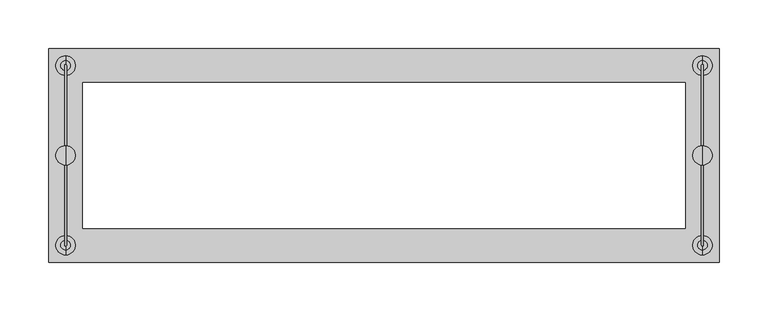
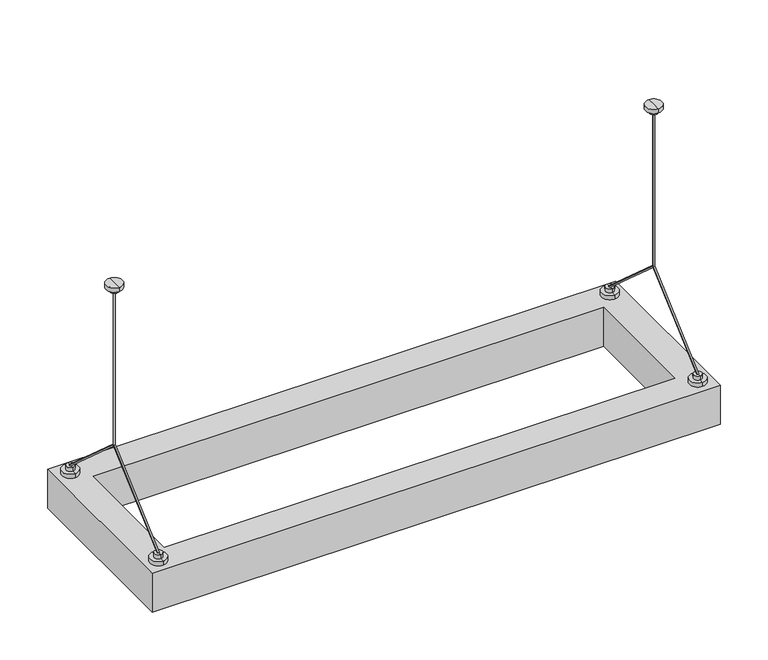
"""IFC4 building model written with IfcOpenShell, lengths in millimetres: light fixture geometry."""

from ifc_helpers import new_model, si_unit, frame, origin, place, context, project, spatial, polyline, circle_curve, ellipse_curve, outline, extrude, source, transform, mapped, element, save
from ifc_brep_helpers import plane_surface, cylinder_surface, advanced_brep


def light_fixture_59794f53(model_context):
    return source(origin(), model_context, "Body", "SolidModel", [
        advanced_brep(
        [(553.5, 0.0, -10.0), (553.5, 0.0, -207.5), (551.5, 0.0, -207.5), (551.5, 0.0, -10.0), (552.5, 1.0, -10.0), (552.5, -1.0, -10.0), (553.5, -92.5, -290.0), (552.5, -90.9976297, -290.0), (551.5, -92.5, -290.0), (551.5, 92.5, -290.0), (552.5, 90.9976297, -290.0), (553.5, 92.5, -290.0), (552.5, 82.5, -300.0), (552.5, 102.5, -300.0), (552.5, 92.5, -300.0), (552.5, 82.5, -295.0), (552.5, 102.5, -295.0), (552.5, 87.5, -295.0), (552.5, 97.5, -295.0), (552.5, 87.5, -290.0), (552.5, 97.5, -290.0), (552.5, 93.5, -290.0), (552.5, -102.5, -300.0), (552.5, -82.5, -300.0), (552.5, -92.5, -300.0), (552.5, -102.5, -295.0), (552.5, -82.5, -295.0), (552.5, -97.5, -295.0), (552.5, -87.5, -295.0), (552.5, -97.5, -290.0), (552.5, -87.5, -290.0), (552.5, -93.5, -290.0), (552.5, -5.0, -10.0), (552.5, 5.0, -10.0), (552.5, -5.0, -5.0), (552.5, 5.0, -5.0), (552.5, -10.0, -5.0), (552.5, 10.0, -5.0), (552.5, -10.0, 0.0), (552.5, 10.0, 0.0), (552.5, 0.0, 0.0)],
        [
            (0, 1),
            (1, 2, ellipse_curve(frame((552.5, 0.0, -207.5), z_axis=(0.0, -0.40889188854854597, 0.912582831023685), x_axis=(0.0, 0.9125828310236851, 0.4088918885485457)), 1.0957909, 1.0)),
            (2, 3),
            (3, 4, circle_curve(frame((552.5, 0.0, -10.0), z_axis=(0.0, 0.0, -1.0), x_axis=(1.0, 0.0, 0.0)), 1.0)),
            (4, 0, circle_curve(frame((552.5, 0.0, -10.0), z_axis=(0.0, 0.0, -1.0), x_axis=(1.0, 0.0, 0.0)), 1.0)),
            (0, 5, circle_curve(frame((552.5, 0.0, -10.0), z_axis=(0.0, 0.0, -1.0), x_axis=(1.0, 0.0, 0.0)), 1.0)),
            (5, 3, circle_curve(frame((552.5, 0.0, -10.0), z_axis=(0.0, 0.0, -1.0), x_axis=(1.0, 0.0, 0.0)), 1.0)),
            (2, 1, ellipse_curve(frame((552.5, 0.0, -207.5), z_axis=(0.0, 0.4088918885485265, 0.9125828310236938), x_axis=(0.0, -0.9125828310236939, 0.4088918885485263)), 1.0957909, 1.0)),
            (1, 6),
            (6, 7, ellipse_curve(frame((552.5, -92.5, -290.0), z_axis=(0.0, 0.0, 1.0), x_axis=(0.0, 0.9999999999999999, 0.0)), 1.5023703, 1.0)),
            (7, 8, ellipse_curve(frame((552.5, -92.5, -290.0), z_axis=(0.0, 0.0, 1.0), x_axis=(0.0, 0.9999999999999999, 0.0)), 1.5023703, 1.0)),
            (8, 2),
            (2, 1, ellipse_curve(frame((552.5, 0.0, -207.5), z_axis=(0.0, -0.9999999999999999, 0.0), x_axis=(0.0, 0.0, 1.0)), 1.3399519, 1.0)),
            (8, 6, ellipse_curve(frame((552.5, -92.5, -290.0), z_axis=(0.0, 0.4088918885485264, 0.9125828310236938), x_axis=(0.0, 0.9125828310236936, -0.4088918885485264)), 1.0957909, 1.0)),
            (2, 9),
            (9, 10, ellipse_curve(frame((552.5, 92.5, -290.0), z_axis=(0.0, 0.0, 1.0), x_axis=(0.0, -1.0, 0.0)), 1.5023703, 1.0)),
            (10, 11, ellipse_curve(frame((552.5, 92.5, -290.0), z_axis=(0.0, 0.0, 1.0), x_axis=(0.0, -1.0, 0.0)), 1.5023703, 1.0)),
            (11, 1),
            (11, 9, ellipse_curve(frame((552.5, 92.5, -290.0), z_axis=(0.0, -0.4088918885485461, 0.912582831023685), x_axis=(0.0, -0.9125828310236849, -0.40889188854854636)), 1.0957909, 1.0)),
            (12, 13, circle_curve(frame((552.5, 92.5, -300.0), z_axis=(0.0, 0.0, -1.0), x_axis=(0.0, 1.0, 0.0)), 10.0)),
            (13, 14),
            (14, 12),
            (13, 12, circle_curve(frame((552.5, 92.5, -300.0), z_axis=(0.0, 0.0, -1.0), x_axis=(0.0, 1.0, 0.0)), 10.0)),
            (12, 15),
            (15, 16, circle_curve(frame((552.5, 92.5, -295.0), z_axis=(0.0, 0.0, -1.0), x_axis=(0.0, 1.0, 0.0)), 10.0)),
            (16, 13),
            (16, 15, circle_curve(frame((552.5, 92.5, -295.0), z_axis=(0.0, 0.0, -1.0), x_axis=(0.0, 1.0, 0.0)), 10.0)),
            (15, 17),
            (17, 18, circle_curve(frame((552.5, 92.5, -295.0), z_axis=(0.0, 0.0, -1.0), x_axis=(0.0, 1.0, 0.0)), 5.0)),
            (18, 16),
            (18, 17, circle_curve(frame((552.5, 92.5, -295.0), z_axis=(0.0, 0.0, -1.0), x_axis=(0.0, 1.0, 0.0)), 5.0)),
            (17, 19),
            (19, 20, circle_curve(frame((552.5, 92.5, -290.0), z_axis=(0.0, 0.0, -1.0), x_axis=(0.0, 1.0, 0.0)), 5.0)),
            (20, 18),
            (20, 19, circle_curve(frame((552.5, 92.5, -290.0), z_axis=(0.0, 0.0, -1.0), x_axis=(0.0, 1.0, 0.0)), 5.0)),
            (19, 10),
            (9, 21, circle_curve(frame((552.5, 92.5, -290.0), z_axis=(0.0, 0.0, -1.0), x_axis=(1.0, 0.0, 0.0)), 1.0)),
            (21, 20),
            (21, 11, circle_curve(frame((552.5, 92.5, -290.0), z_axis=(0.0, 0.0, -1.0), x_axis=(1.0, 0.0, 0.0)), 1.0)),
            (22, 23, circle_curve(frame((552.5, -92.5, -300.0), z_axis=(0.0, 0.0, -1.0), x_axis=(0.0, 1.0, 0.0)), 10.0)),
            (23, 24),
            (24, 22),
            (23, 22, circle_curve(frame((552.5, -92.5, -300.0), z_axis=(0.0, 0.0, -1.0), x_axis=(0.0, 1.0, 0.0)), 10.0)),
            (22, 25),
            (25, 26, circle_curve(frame((552.5, -92.5, -295.0), z_axis=(0.0, 0.0, -1.0), x_axis=(0.0, 1.0, 0.0)), 10.0)),
            (26, 23),
            (26, 25, circle_curve(frame((552.5, -92.5, -295.0), z_axis=(0.0, 0.0, -1.0), x_axis=(0.0, 1.0, 0.0)), 10.0)),
            (25, 27),
            (27, 28, circle_curve(frame((552.5, -92.5, -295.0), z_axis=(0.0, 0.0, -1.0), x_axis=(0.0, 1.0, 0.0)), 5.0)),
            (28, 26),
            (28, 27, circle_curve(frame((552.5, -92.5, -295.0), z_axis=(0.0, 0.0, -1.0), x_axis=(0.0, 1.0, 0.0)), 5.0)),
            (27, 29),
            (29, 30, circle_curve(frame((552.5, -92.5, -290.0), z_axis=(0.0, 0.0, -1.0), x_axis=(0.0, 1.0, 0.0)), 5.0)),
            (30, 28),
            (30, 29, circle_curve(frame((552.5, -92.5, -290.0), z_axis=(0.0, 0.0, -1.0), x_axis=(0.0, 1.0, 0.0)), 5.0)),
            (29, 31),
            (31, 8, circle_curve(frame((552.5, -92.5, -290.0), z_axis=(0.0, 0.0, -1.0), x_axis=(1.0, 0.0, 0.0)), 1.0)),
            (7, 30),
            (6, 31, circle_curve(frame((552.5, -92.5, -290.0), z_axis=(0.0, 0.0, -1.0), x_axis=(1.0, 0.0, 0.0)), 1.0)),
            (32, 33, circle_curve(frame((552.5, 0.0, -10.0), z_axis=(0.0, 0.0, -1.0), x_axis=(0.0, 1.0, 0.0)), 5.0)),
            (33, 4),
            (5, 32),
            (33, 32, circle_curve(frame((552.5, 0.0, -10.0), z_axis=(0.0, 0.0, -1.0), x_axis=(0.0, 1.0, 0.0)), 5.0)),
            (32, 34),
            (34, 35, circle_curve(frame((552.5, 0.0, -5.0), z_axis=(0.0, 0.0, -1.0), x_axis=(0.0, 1.0, 0.0)), 5.0)),
            (35, 33),
            (35, 34, circle_curve(frame((552.5, 0.0, -5.0), z_axis=(0.0, 0.0, -1.0), x_axis=(0.0, 1.0, 0.0)), 5.0)),
            (34, 36),
            (36, 37, circle_curve(frame((552.5, 0.0, -5.0), z_axis=(0.0, 0.0, -1.0), x_axis=(0.0, 1.0, 0.0)), 10.0)),
            (37, 35),
            (37, 36, circle_curve(frame((552.5, 0.0, -5.0), z_axis=(0.0, 0.0, -1.0), x_axis=(0.0, 1.0, 0.0)), 10.0)),
            (36, 38),
            (38, 39, circle_curve(frame((552.5, 0.0, 0.0), z_axis=(0.0, 0.0, -1.0), x_axis=(0.0, 1.0, 0.0)), 10.0)),
            (39, 37),
            (39, 38, circle_curve(frame((552.5, 0.0, 0.0), z_axis=(0.0, 0.0, -1.0), x_axis=(0.0, 1.0, 0.0)), 10.0)),
            (38, 40),
            (40, 39),
        ],
        [
            cylinder_surface(frame((552.5, 0.0, -10.0), z_axis=(0.0, 0.0, 1.0), x_axis=(1.0, 0.0, 0.0)), 1.0),
            cylinder_surface(frame((552.5, 0.0, -207.5), z_axis=(0.0, 0.7462954344684778, 0.665614846958439), x_axis=(1.0, 0.0, 0.0)), 1.0),
            cylinder_surface(frame((552.5, 0.0, -207.5), z_axis=(0.0, -0.7462954344685063, 0.6656148469584069), x_axis=(1.0, 0.0, 0.0)), 1.0),
            plane_surface(frame((552.5, 92.5, -300.0), z_axis=(0.0, 0.0, -1.0), x_axis=(0.0, 1.0, 0.0))),
            cylinder_surface(frame((552.5, 92.5, -604.8), z_axis=(0.0, 0.0, 1.0), x_axis=(0.0, 1.0, 0.0)), 10.0),
            plane_surface(frame((552.5, 92.5, -295.0), z_axis=(0.0, 0.0, 1.0), x_axis=(0.0, 1.0, 0.0))),
            cylinder_surface(frame((552.5, 92.5, -604.8), z_axis=(0.0, 0.0, 1.0), x_axis=(0.0, 1.0, 0.0)), 5.0),
            plane_surface(frame((552.5, 92.5, -290.0), z_axis=(0.0, 0.0, 1.0), x_axis=(0.0, 1.0, 0.0))),
            plane_surface(frame((552.5, -92.5, -300.0), z_axis=(0.0, 0.0, -1.0), x_axis=(0.0, 1.0, 0.0))),
            cylinder_surface(frame((552.5, -92.5, -604.8), z_axis=(0.0, 0.0, 1.0), x_axis=(0.0, 1.0, 0.0)), 10.0),
            plane_surface(frame((552.5, -92.5, -295.0), z_axis=(0.0, 0.0, 1.0), x_axis=(0.0, 1.0, 0.0))),
            cylinder_surface(frame((552.5, -92.5, -604.8), z_axis=(0.0, 0.0, 1.0), x_axis=(0.0, 1.0, 0.0)), 5.0),
            plane_surface(frame((552.5, -92.5, -290.0), z_axis=(0.0, 0.0, 1.0), x_axis=(0.0, 1.0, 0.0))),
            plane_surface(frame((552.5, 0.0, -10.0), z_axis=(0.0, 0.0, -1.0), x_axis=(0.0, 1.0, 0.0))),
            cylinder_surface(frame((552.5, 0.0, 2141.4742198), z_axis=(0.0, 0.0, 1.0), x_axis=(0.0, 1.0, 0.0)), 5.0),
            plane_surface(frame((552.5, 0.0, -5.0), z_axis=(0.0, 0.0, -1.0), x_axis=(0.0, 1.0, 0.0))),
            cylinder_surface(frame((552.5, 0.0, 2141.4742198), z_axis=(0.0, 0.0, 1.0), x_axis=(0.0, 1.0, 0.0)), 10.0),
            plane_surface(frame((552.5, 0.0, 0.0), z_axis=(0.0, 0.0, 1.0), x_axis=(0.0, 1.0, 0.0))),
            cylinder_surface(frame((552.5, 92.5, -290.0), z_axis=(0.0, 0.0, 1.0), x_axis=(1.0, 0.0, 0.0)), 1.0),
            cylinder_surface(frame((552.5, -92.5, -290.0), z_axis=(0.0, 0.0, 1.0), x_axis=(1.0, 0.0, 0.0)), 1.0),
        ],
        [
            (0, [[1, 2, 3, 4, 5]]),
            (0, [[-1, 6, 7, -3, 8]]),
            (1, [[9, 10, 11, 12, 13]]),
            (1, [[-8, -12, 14, -9]]),
            (2, [[15, 16, 17, 18, -13]]),
            (2, [[-15, -2, -18, 19]]),
            (3, [[20, 21, 22]]),
            (3, [[-21, 23, -22]]),
            (4, [[-20, 24, 25, 26]]),
            (4, [[-23, -26, 27, -24]]),
            (5, [[-25, 28, 29, 30]]),
            (5, [[-27, -30, 31, -28]]),
            (6, [[-29, 32, 33, 34]]),
            (6, [[-31, -34, 35, -32]]),
            (7, [[-33, 36, -16, 37, 38]]),
            (7, [[-35, -38, 39, -17, -36]]),
            (8, [[40, 41, 42]]),
            (8, [[-41, 43, -42]]),
            (9, [[-40, 44, 45, 46]]),
            (9, [[-43, -46, 47, -44]]),
            (10, [[-45, 48, 49, 50]]),
            (10, [[-47, -50, 51, -48]]),
            (11, [[-49, 52, 53, 54]]),
            (11, [[-51, -54, 55, -52]]),
            (12, [[-53, 56, 57, -11, 58]]),
            (12, [[-55, -58, -10, 59, -56]]),
            (13, [[60, 61, -4, -7, 62]]),
            (13, [[63, -62, -6, -5, -61]]),
            (14, [[-60, 64, 65, 66]]),
            (14, [[-63, -66, 67, -64]]),
            (15, [[-65, 68, 69, 70]]),
            (15, [[-67, -70, 71, -68]]),
            (16, [[-69, 72, 73, 74]]),
            (16, [[-71, -74, 75, -72]]),
            (17, [[-73, 76, 77]]),
            (17, [[-75, -77, -76]]),
            (18, [[-19, -39, -37]]),
            (19, [[-14, -57, -59]]),
        ],
    ),
        advanced_brep(
        [(-101.5, 0.0, -10.0), (-101.5, 0.0, -207.5), (-103.5, 0.0, -207.5), (-103.5, 0.0, -10.0), (-102.5, 1.0, -10.0), (-102.5, -1.0, -10.0), (-101.5, -92.5, -290.0), (-102.5, -90.9976297, -290.0), (-103.5, -92.5, -290.0), (-103.5, 92.5, -290.0), (-102.5, 90.9976297, -290.0), (-101.5, 92.5, -290.0), (-102.5, 82.5, -300.0), (-102.5, 102.5, -300.0), (-102.5, 92.5, -300.0), (-102.5, 82.5, -295.0), (-102.5, 102.5, -295.0), (-102.5, 87.5, -295.0), (-102.5, 97.5, -295.0), (-102.5, 87.5, -290.0), (-102.5, 97.5, -290.0), (-102.5, 93.5, -290.0), (-102.5, -102.5, -300.0), (-102.5, -82.5, -300.0), (-102.5, -92.5, -300.0), (-102.5, -102.5, -295.0), (-102.5, -82.5, -295.0), (-102.5, -97.5, -295.0), (-102.5, -87.5, -295.0), (-102.5, -97.5, -290.0), (-102.5, -87.5, -290.0), (-102.5, -93.5, -290.0), (-102.5, -5.0, -10.0), (-102.5, 5.0, -10.0), (-102.5, -5.0, -5.0), (-102.5, 5.0, -5.0), (-102.5, -10.0, -5.0), (-102.5, 10.0, -5.0), (-102.5, -10.0, 0.0), (-102.5, 10.0, 0.0), (-102.5, 0.0, 0.0)],
        [
            (0, 1),
            (1, 2, ellipse_curve(frame((-102.5, 0.0, -207.5), z_axis=(0.0, -0.40889188854854597, 0.912582831023685), x_axis=(0.0, 0.9125828310236851, 0.4088918885485457)), 1.0957909, 1.0)),
            (2, 3),
            (3, 4, circle_curve(frame((-102.5, 0.0, -10.0), z_axis=(0.0, 0.0, -1.0), x_axis=(1.0, 0.0, 0.0)), 1.0)),
            (4, 0, circle_curve(frame((-102.5, 0.0, -10.0), z_axis=(0.0, 0.0, -1.0), x_axis=(1.0, 0.0, 0.0)), 1.0)),
            (0, 5, circle_curve(frame((-102.5, 0.0, -10.0), z_axis=(0.0, 0.0, -1.0), x_axis=(1.0, 0.0, 0.0)), 1.0)),
            (5, 3, circle_curve(frame((-102.5, 0.0, -10.0), z_axis=(0.0, 0.0, -1.0), x_axis=(1.0, 0.0, 0.0)), 1.0)),
            (2, 1, ellipse_curve(frame((-102.5, 0.0, -207.5), z_axis=(0.0, 0.4088918885485265, 0.9125828310236938), x_axis=(0.0, -0.9125828310236939, 0.4088918885485263)), 1.0957909, 1.0)),
            (1, 6),
            (6, 7, ellipse_curve(frame((-102.5, -92.5, -290.0), z_axis=(0.0, 0.0, 1.0), x_axis=(0.0, 0.9999999999999999, 0.0)), 1.5023703, 1.0)),
            (7, 8, ellipse_curve(frame((-102.5, -92.5, -290.0), z_axis=(0.0, 0.0, 1.0), x_axis=(0.0, 0.9999999999999999, 0.0)), 1.5023703, 1.0)),
            (8, 2),
            (2, 1, ellipse_curve(frame((-102.5, 0.0, -207.5), z_axis=(0.0, -0.9999999999999999, 0.0), x_axis=(0.0, 0.0, 1.0)), 1.3399519, 1.0)),
            (8, 6, ellipse_curve(frame((-102.5, -92.5, -290.0), z_axis=(0.0, 0.4088918885485264, 0.9125828310236938), x_axis=(0.0, 0.9125828310236936, -0.4088918885485264)), 1.0957909, 1.0)),
            (2, 9),
            (9, 10, ellipse_curve(frame((-102.5, 92.5, -290.0), z_axis=(0.0, 0.0, 1.0), x_axis=(0.0, -1.0, 0.0)), 1.5023703, 1.0)),
            (10, 11, ellipse_curve(frame((-102.5, 92.5, -290.0), z_axis=(0.0, 0.0, 1.0), x_axis=(0.0, -1.0, 0.0)), 1.5023703, 1.0)),
            (11, 1),
            (11, 9, ellipse_curve(frame((-102.5, 92.5, -290.0), z_axis=(0.0, -0.4088918885485461, 0.912582831023685), x_axis=(0.0, -0.9125828310236849, -0.40889188854854636)), 1.0957909, 1.0)),
            (12, 13, circle_curve(frame((-102.5, 92.5, -300.0), z_axis=(0.0, 0.0, -1.0), x_axis=(0.0, 1.0, 0.0)), 10.0)),
            (13, 14),
            (14, 12),
            (13, 12, circle_curve(frame((-102.5, 92.5, -300.0), z_axis=(0.0, 0.0, -1.0), x_axis=(0.0, 1.0, 0.0)), 10.0)),
            (12, 15),
            (15, 16, circle_curve(frame((-102.5, 92.5, -295.0), z_axis=(0.0, 0.0, -1.0), x_axis=(0.0, 1.0, 0.0)), 10.0)),
            (16, 13),
            (16, 15, circle_curve(frame((-102.5, 92.5, -295.0), z_axis=(0.0, 0.0, -1.0), x_axis=(0.0, 1.0, 0.0)), 10.0)),
            (15, 17),
            (17, 18, circle_curve(frame((-102.5, 92.5, -295.0), z_axis=(0.0, 0.0, -1.0), x_axis=(0.0, 1.0, 0.0)), 5.0)),
            (18, 16),
            (18, 17, circle_curve(frame((-102.5, 92.5, -295.0), z_axis=(0.0, 0.0, -1.0), x_axis=(0.0, 1.0, 0.0)), 5.0)),
            (17, 19),
            (19, 20, circle_curve(frame((-102.5, 92.5, -290.0), z_axis=(0.0, 0.0, -1.0), x_axis=(0.0, 1.0, 0.0)), 5.0)),
            (20, 18),
            (20, 19, circle_curve(frame((-102.5, 92.5, -290.0), z_axis=(0.0, 0.0, -1.0), x_axis=(0.0, 1.0, 0.0)), 5.0)),
            (19, 10),
            (9, 21, circle_curve(frame((-102.5, 92.5, -290.0), z_axis=(0.0, 0.0, -1.0), x_axis=(1.0, 0.0, 0.0)), 1.0)),
            (21, 20),
            (21, 11, circle_curve(frame((-102.5, 92.5, -290.0), z_axis=(0.0, 0.0, -1.0), x_axis=(1.0, 0.0, 0.0)), 1.0)),
            (22, 23, circle_curve(frame((-102.5, -92.5, -300.0), z_axis=(0.0, 0.0, -1.0), x_axis=(0.0, 1.0, 0.0)), 10.0)),
            (23, 24),
            (24, 22),
            (23, 22, circle_curve(frame((-102.5, -92.5, -300.0), z_axis=(0.0, 0.0, -1.0), x_axis=(0.0, 1.0, 0.0)), 10.0)),
            (22, 25),
            (25, 26, circle_curve(frame((-102.5, -92.5, -295.0), z_axis=(0.0, 0.0, -1.0), x_axis=(0.0, 1.0, 0.0)), 10.0)),
            (26, 23),
            (26, 25, circle_curve(frame((-102.5, -92.5, -295.0), z_axis=(0.0, 0.0, -1.0), x_axis=(0.0, 1.0, 0.0)), 10.0)),
            (25, 27),
            (27, 28, circle_curve(frame((-102.5, -92.5, -295.0), z_axis=(0.0, 0.0, -1.0), x_axis=(0.0, 1.0, 0.0)), 5.0)),
            (28, 26),
            (28, 27, circle_curve(frame((-102.5, -92.5, -295.0), z_axis=(0.0, 0.0, -1.0), x_axis=(0.0, 1.0, 0.0)), 5.0)),
            (27, 29),
            (29, 30, circle_curve(frame((-102.5, -92.5, -290.0), z_axis=(0.0, 0.0, -1.0), x_axis=(0.0, 1.0, 0.0)), 5.0)),
            (30, 28),
            (30, 29, circle_curve(frame((-102.5, -92.5, -290.0), z_axis=(0.0, 0.0, -1.0), x_axis=(0.0, 1.0, 0.0)), 5.0)),
            (29, 31),
            (31, 8, circle_curve(frame((-102.5, -92.5, -290.0), z_axis=(0.0, 0.0, -1.0), x_axis=(1.0, 0.0, 0.0)), 1.0)),
            (7, 30),
            (6, 31, circle_curve(frame((-102.5, -92.5, -290.0), z_axis=(0.0, 0.0, -1.0), x_axis=(1.0, 0.0, 0.0)), 1.0)),
            (32, 33, circle_curve(frame((-102.5, 0.0, -10.0), z_axis=(0.0, 0.0, -1.0), x_axis=(0.0, 1.0, 0.0)), 5.0)),
            (33, 4),
            (5, 32),
            (33, 32, circle_curve(frame((-102.5, 0.0, -10.0), z_axis=(0.0, 0.0, -1.0), x_axis=(0.0, 1.0, 0.0)), 5.0)),
            (32, 34),
            (34, 35, circle_curve(frame((-102.5, 0.0, -5.0), z_axis=(0.0, 0.0, -1.0), x_axis=(0.0, 1.0, 0.0)), 5.0)),
            (35, 33),
            (35, 34, circle_curve(frame((-102.5, 0.0, -5.0), z_axis=(0.0, 0.0, -1.0), x_axis=(0.0, 1.0, 0.0)), 5.0)),
            (34, 36),
            (36, 37, circle_curve(frame((-102.5, 0.0, -5.0), z_axis=(0.0, 0.0, -1.0), x_axis=(0.0, 1.0, 0.0)), 10.0)),
            (37, 35),
            (37, 36, circle_curve(frame((-102.5, 0.0, -5.0), z_axis=(0.0, 0.0, -1.0), x_axis=(0.0, 1.0, 0.0)), 10.0)),
            (36, 38),
            (38, 39, circle_curve(frame((-102.5, 0.0, 0.0), z_axis=(0.0, 0.0, -1.0), x_axis=(0.0, 1.0, 0.0)), 10.0)),
            (39, 37),
            (39, 38, circle_curve(frame((-102.5, 0.0, 0.0), z_axis=(0.0, 0.0, -1.0), x_axis=(0.0, 1.0, 0.0)), 10.0)),
            (38, 40),
            (40, 39),
        ],
        [
            cylinder_surface(frame((-102.5, 0.0, -10.0), z_axis=(0.0, 0.0, 1.0), x_axis=(1.0, 0.0, 0.0)), 1.0),
            cylinder_surface(frame((-102.5, 0.0, -207.5), z_axis=(0.0, 0.7462954344684778, 0.665614846958439), x_axis=(1.0, 0.0, 0.0)), 1.0),
            cylinder_surface(frame((-102.5, 0.0, -207.5), z_axis=(0.0, -0.7462954344685063, 0.6656148469584069), x_axis=(1.0, 0.0, 0.0)), 1.0),
            plane_surface(frame((-102.5, 92.5, -300.0), z_axis=(0.0, 0.0, -1.0), x_axis=(0.0, 1.0, 0.0))),
            cylinder_surface(frame((-102.5, 92.5, -604.8), z_axis=(0.0, 0.0, 1.0), x_axis=(0.0, 1.0, 0.0)), 10.0),
            plane_surface(frame((-102.5, 92.5, -295.0), z_axis=(0.0, 0.0, 1.0), x_axis=(0.0, 1.0, 0.0))),
            cylinder_surface(frame((-102.5, 92.5, -604.8), z_axis=(0.0, 0.0, 1.0), x_axis=(0.0, 1.0, 0.0)), 5.0),
            plane_surface(frame((-102.5, 92.5, -290.0), z_axis=(0.0, 0.0, 1.0), x_axis=(0.0, 1.0, 0.0))),
            plane_surface(frame((-102.5, -92.5, -300.0), z_axis=(0.0, 0.0, -1.0), x_axis=(0.0, 1.0, 0.0))),
            cylinder_surface(frame((-102.5, -92.5, -604.8), z_axis=(0.0, 0.0, 1.0), x_axis=(0.0, 1.0, 0.0)), 10.0),
            plane_surface(frame((-102.5, -92.5, -295.0), z_axis=(0.0, 0.0, 1.0), x_axis=(0.0, 1.0, 0.0))),
            cylinder_surface(frame((-102.5, -92.5, -604.8), z_axis=(0.0, 0.0, 1.0), x_axis=(0.0, 1.0, 0.0)), 5.0),
            plane_surface(frame((-102.5, -92.5, -290.0), z_axis=(0.0, 0.0, 1.0), x_axis=(0.0, 1.0, 0.0))),
            plane_surface(frame((-102.5, 0.0, -10.0), z_axis=(0.0, 0.0, -1.0), x_axis=(0.0, 1.0, 0.0))),
            cylinder_surface(frame((-102.5, 0.0, 2141.4742198), z_axis=(0.0, 0.0, 1.0), x_axis=(0.0, 1.0, 0.0)), 5.0),
            plane_surface(frame((-102.5, 0.0, -5.0), z_axis=(0.0, 0.0, -1.0), x_axis=(0.0, 1.0, 0.0))),
            cylinder_surface(frame((-102.5, 0.0, 2141.4742198), z_axis=(0.0, 0.0, 1.0), x_axis=(0.0, 1.0, 0.0)), 10.0),
            plane_surface(frame((-102.5, 0.0, 0.0), z_axis=(0.0, 0.0, 1.0), x_axis=(0.0, 1.0, 0.0))),
            cylinder_surface(frame((-102.5, 92.5, -290.0), z_axis=(0.0, 0.0, 1.0), x_axis=(1.0, 0.0, 0.0)), 1.0),
            cylinder_surface(frame((-102.5, -92.5, -290.0), z_axis=(0.0, 0.0, 1.0), x_axis=(1.0, 0.0, 0.0)), 1.0),
        ],
        [
            (0, [[1, 2, 3, 4, 5]]),
            (0, [[-1, 6, 7, -3, 8]]),
            (1, [[9, 10, 11, 12, 13]]),
            (1, [[-8, -12, 14, -9]]),
            (2, [[15, 16, 17, 18, -13]]),
            (2, [[-15, -2, -18, 19]]),
            (3, [[20, 21, 22]]),
            (3, [[-21, 23, -22]]),
            (4, [[-20, 24, 25, 26]]),
            (4, [[-23, -26, 27, -24]]),
            (5, [[-25, 28, 29, 30]]),
            (5, [[-27, -30, 31, -28]]),
            (6, [[-29, 32, 33, 34]]),
            (6, [[-31, -34, 35, -32]]),
            (7, [[-33, 36, -16, 37, 38]]),
            (7, [[-35, -38, 39, -17, -36]]),
            (8, [[40, 41, 42]]),
            (8, [[-41, 43, -42]]),
            (9, [[-40, 44, 45, 46]]),
            (9, [[-43, -46, 47, -44]]),
            (10, [[-45, 48, 49, 50]]),
            (10, [[-47, -50, 51, -48]]),
            (11, [[-49, 52, 53, 54]]),
            (11, [[-51, -54, 55, -52]]),
            (12, [[-53, 56, 57, -11, 58]]),
            (12, [[-55, -58, -10, 59, -56]]),
            (13, [[60, 61, -4, -7, 62]]),
            (13, [[63, -62, -6, -5, -61]]),
            (14, [[-60, 64, 65, 66]]),
            (14, [[-63, -66, 67, -64]]),
            (15, [[-65, 68, 69, 70]]),
            (15, [[-67, -70, 71, -68]]),
            (16, [[-69, 72, 73, 74]]),
            (16, [[-71, -74, 75, -72]]),
            (17, [[-73, 76, 77]]),
            (17, [[-75, -77, -76]]),
            (18, [[-19, -39, -37]]),
            (19, [[-14, -57, -59]]),
        ],
    ),
        extrude(outline(polyline([(570.0, 110.0), (570.0, -110.0), (-120.0, -110.0), (-120.0, 110.0), (570.0, 110.0)]), holes=[polyline([(535.0, 75.0), (-85.0, 75.0), (-85.0, -75.0), (535.0, -75.0), (535.0, 75.0)])]), frame((0.0, 0.0, -350.0), z_axis=(0.0, 0.0, 1.0), x_axis=(1.0, 0.0, 0.0)), (0.0, 0.0, 1.0), 50.0),
    ])


if __name__ == "__main__":
    model = new_model("IFC4")
    model_context = context("Model", 3, world=origin())
    ifc_project = project(units=[si_unit("LENGTHUNIT", "METRE", prefix="MILLI")], contexts=[model_context])
    site = spatial("IfcSite", under=ifc_project)
    building = spatial("IfcBuilding", under=site)
    placement = place(None, origin())
    light_fixture_shape = light_fixture_59794f53(model_context)
    element("IfcLightFixture", 1, at=placement, inside=building, context=model_context, shape_type="MappedRepresentation", body=[
        mapped(light_fixture_shape, transform((0.0, 0.0, 0.0), x_axis=(1.0, 0.0, 0.0), y_axis=(0.0, 1.0, 0.0), z_axis=(0.0, 0.0, 1.0))),
    ])
    save(model, "model.ifc")
